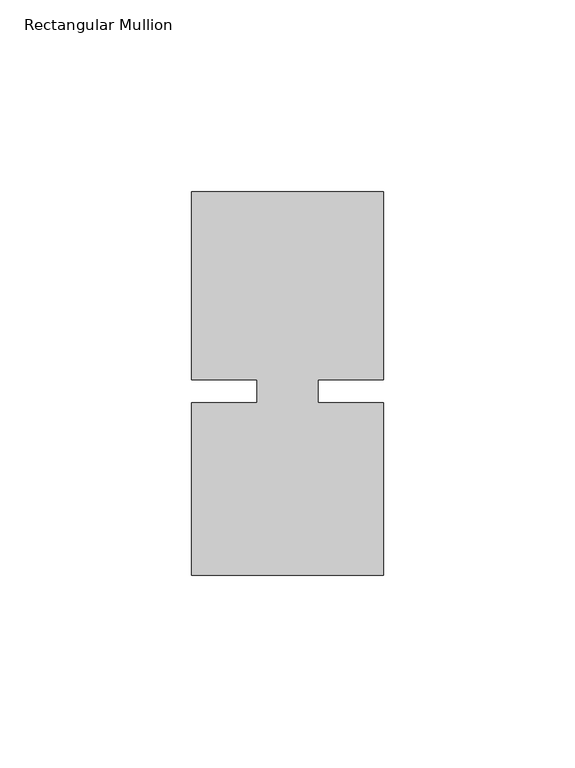
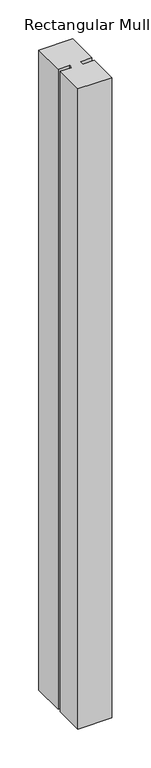
"""IFC4 building model written with IfcOpenShell, lengths in millimetres: member geometry, Rectangular Mullion."""

from ifc_helpers import new_model, si_unit, frame, origin, place, context, project, spatial, polyline, outline, extrude, source, transform, mapped, element, save


def rectangular_mullion_b72147a2(model_context):
    return source(origin(), model_context, "Body", "SweptSolid", [
        extrude(outline(polyline([(8.0004618, -3.0000161), (25.0, -3.000024), (24.9999791, -48.000024), (-25.0000209, -48.0000007), (-25.0, -3.0000007), (-8.0004617, -3.0000086), (-8.0004589, 3.0000086), (-24.9999972, 3.0000166), (-24.9999743, 51.9999993), (25.0000011, 51.9999711), (24.9999734, 2.9999933), (8.0004646, 3.0000012), (8.0004618, -3.0000161)])), frame((0.0, 0.0, -1001.9293535), z_axis=(0.0, 0.0, 1.0), x_axis=(1.0, 0.0, 0.0)), (0.0, 0.0, 1.0), 1001.9293535),
    ])


if __name__ == "__main__":
    model = new_model("IFC4")
    model_context = context("Model", 3, world=origin())
    ifc_project = project(units=[si_unit("LENGTHUNIT", "METRE", prefix="MILLI")], contexts=[model_context])
    site = spatial("IfcSite", under=ifc_project)
    building = spatial("IfcBuilding", under=site)
    placement = place(None, origin())
    rectangular_mullion_shape = rectangular_mullion_b72147a2(model_context)
    element("IfcMember", 1, ObjectType="Rectangular Mullion", at=placement, inside=building, context=model_context, shape_type="MappedRepresentation", body=[
        mapped(rectangular_mullion_shape, transform((0.0, 0.0, 0.0), x_axis=(1.0, 0.0, 0.0), y_axis=(0.0, 1.0, 0.0), z_axis=(0.0, 0.0, 1.0))),
    ])
    save(model, "model.ifc")
